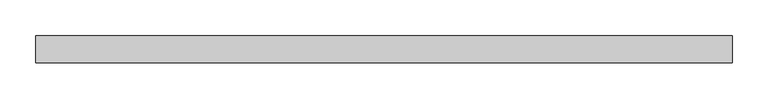
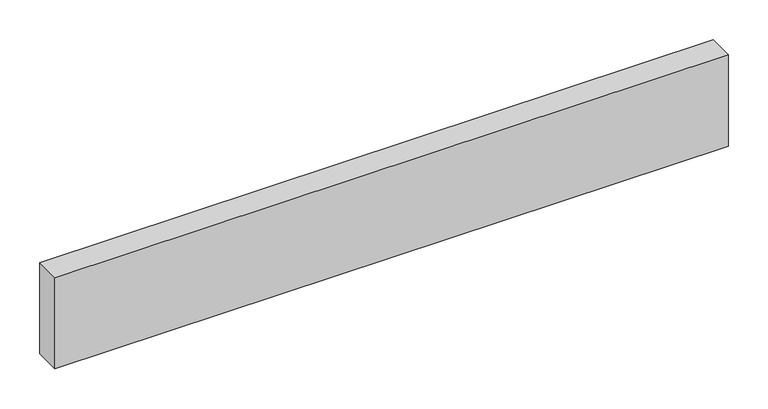
"""IFC4 building model written with IfcOpenShell, lengths in millimetres: beam geometry."""

import ifcopenshell
import ifcopenshell.guid

model = None  # the IFC model being written
_history = None  # IfcOwnerHistory: only IFC2X3 demands one
_inside = {}  # id of a spatial element -> (the spatial element, [elements in it])
_under = {}  # id of a project, library or spatial element -> (it, [spatial elements below it])
_declared = {}  # id of a project -> (the project, [libraries it declares])
_typed = {}  # id of a type object -> (the type object, [elements of that type])
_made_of = {}  # id of a material, layer set ... -> (it, [elements and type objects made of it])


def new_model(schema):
    """Start an empty IFC model of exactly this schema.

    Asked for "IFC4X3", IfcOpenShell would pick the latest addendum, in which some entities
    have other attributes; the version numbers below select the first issue.
    IFC2X3 requires an IfcOwnerHistory on every rooted entity: one is made here for all.
    """
    global model, _history
    if schema == "IFC4X3":
        model = ifcopenshell.file(schema_version=(4, 3, 0, 0))
    else:
        model = ifcopenshell.file(schema=schema)
    _inside.clear()
    _under.clear()
    _declared.clear()
    _typed.clear()
    _made_of.clear()
    _history = None
    if model.schema == "IFC2X3":
        org = make("IfcOrganization", Name="unknown")
        user = make(
            "IfcPersonAndOrganization",
            ThePerson=make("IfcPerson", FamilyName="unknown"),
            TheOrganization=org,
        )
        app = make(
            "IfcApplication",
            ApplicationDeveloper=org,
            Version="unknown",
            ApplicationFullName="unknown",
            ApplicationIdentifier="unknown",
        )
        _history = make(
            "IfcOwnerHistory",
            OwningUser=user,
            OwningApplication=app,
            ChangeAction="ADDED",
            CreationDate=0,
        )
    return model


def make(cls, **values):
    """One entity of the class cls with the attributes given. An attribute that is None is left unset."""
    return model.create_entity(
        cls, **{name: value for name, value in values.items() if value is not None}
    )


def rooted(cls, **values):
    """An entity with a GlobalId (a new one), such as an element, a storey or a relation."""
    return make(cls, GlobalId=ifcopenshell.guid.new(), OwnerHistory=_history, **values)


def si_unit(unit_type, name, prefix=None):
    """IfcSIUnit, for example si_unit("LENGTHUNIT", "METRE", prefix="MILLI")."""
    return make("IfcSIUnit", UnitType=unit_type, Prefix=prefix, Name=name)


def assignment(units):
    """IfcUnitAssignment: the units of a project."""
    return None if units is None else make("IfcUnitAssignment", Units=units)


def point(xyz):
    """IfcCartesianPoint."""
    return None if xyz is None else make("IfcCartesianPoint", Coordinates=xyz)


def direction(xyz):
    """IfcDirection."""
    return None if xyz is None else make("IfcDirection", DirectionRatios=xyz)


def frame(location, z_axis=None, x_axis=None):
    """IfcAxis2Placement3D, a coordinate frame: its origin and axes. An axis left out is left unset."""
    return make(
        "IfcAxis2Placement3D",
        Location=point(location),
        Axis=direction(z_axis),
        RefDirection=direction(x_axis),
    )


def origin():
    """The frame at (0, 0, 0) with its axes left unset."""
    return frame((0.0, 0.0, 0.0))


def place(relative_to, where):
    """IfcLocalPlacement: puts the frame where relative to a parent placement (None: the world)."""
    return make(
        "IfcLocalPlacement", PlacementRelTo=relative_to, RelativePlacement=where
    )


def context(
    kind, dimensions, precision=None, world=None, true_north=None, identifier=None
):
    """IfcGeometricRepresentationContext, for example the 3D "Model" context."""
    return make(
        "IfcGeometricRepresentationContext",
        ContextIdentifier=identifier,
        ContextType=kind,
        CoordinateSpaceDimension=dimensions,
        Precision=precision,
        WorldCoordinateSystem=world,
        TrueNorth=true_north,
    )


def project(units=None, contexts=None):
    """IfcProject with its units and contexts."""
    return rooted(
        "IfcProject",
        Name="project",
        RepresentationContexts=contexts,
        UnitsInContext=assignment(units),
    )


def spatial(cls, under=None, at=None, **own):
    """A site, building, storey or space (cls), placed at a placement, below another one or the project."""
    s = rooted(cls, ObjectPlacement=at, **own)
    if under is not None:
        _under.setdefault(under.id(), (under, []))[1].append(s)
    return s


def polyline(points):
    """IfcPolyline through the points."""
    return make("IfcPolyline", Points=[point(p) for p in points])


def outline(outer, holes=None, kind="AREA"):
    """IfcArbitraryClosedProfileDef: a profile drawn as a closed curve; with holes, ...WithVoids."""
    if holes is None:
        return make("IfcArbitraryClosedProfileDef", ProfileType=kind, OuterCurve=outer)
    return make(
        "IfcArbitraryProfileDefWithVoids",
        ProfileType=kind,
        OuterCurve=outer,
        InnerCurves=holes,
    )


def extrude(swept, where, along, depth):
    """IfcExtrudedAreaSolid: the profile swept, set in the frame where, extruded along a direction by depth."""
    return make(
        "IfcExtrudedAreaSolid",
        SweptArea=swept,
        Position=where,
        ExtrudedDirection=direction(along),
        Depth=depth,
    )


def shape(context_of_items, identifier, shape_type, items):
    """IfcShapeRepresentation: the items that make up one representation, for example the "Body"."""
    return make(
        "IfcShapeRepresentation",
        ContextOfItems=context_of_items,
        RepresentationIdentifier=identifier,
        RepresentationType=shape_type,
        Items=items,
    )


def source(mapping_origin, context_of_items, identifier, shape_type, items):
    """IfcRepresentationMap: a shape defined once, which mapped items show again and again."""
    return make(
        "IfcRepresentationMap",
        MappingOrigin=mapping_origin,
        MappedRepresentation=shape(context_of_items, identifier, shape_type, items),
    )


def transform(
    local_origin,
    x_axis=None,
    y_axis=None,
    z_axis=None,
    scale=None,
    scale2=None,
    scale3=None,
    uniform=True,
):
    """IfcCartesianTransformationOperator3D, or its non-uniform kind. x_axis, y_axis, z_axis: its Axis1, 2, 3."""
    if uniform:
        return make(
            "IfcCartesianTransformationOperator3D",
            Axis1=direction(x_axis),
            Axis2=direction(y_axis),
            LocalOrigin=point(local_origin),
            Scale=scale,
            Axis3=direction(z_axis),
        )
    return make(
        "IfcCartesianTransformationOperator3DnonUniform",
        Axis1=direction(x_axis),
        Axis2=direction(y_axis),
        LocalOrigin=point(local_origin),
        Scale=scale,
        Axis3=direction(z_axis),
        Scale2=scale2,
        Scale3=scale3,
    )


def mapped(mapping_source, mapping_target):
    """IfcMappedItem: shows the shape of a source again, moved by a transform."""
    return make(
        "IfcMappedItem", MappingSource=mapping_source, MappingTarget=mapping_target
    )


def made_of(thing, what):
    """Note that an element or type object is made of a material, layer set ...; save() writes the relation."""
    if what is not None:
        _made_of.setdefault(what.id(), (what, []))[1].append(thing)
    return thing


def element(
    cls,
    number,
    at=None,
    inside=None,
    cuts=None,
    type_object=None,
    material=None,
    context=None,
    identifier="Body",
    shape_type=None,
    held_by="IfcProductDefinitionShape",
    body=None,
    shapes=None,
    **own,
):
    """One element of the class cls, such as IfcWall. Its Tag is "e" and its number.

    at: its placement. inside: the storey or other place that contains it. cuts: it is an
    opening in that element (IfcRelVoidsElement). A single representation is given by context,
    identifier, shape_type and body (its items); several are given by shapes. held_by: the class
    of the entity that holds the representations. save() writes the other relations.
    """
    e = rooted(cls, Tag="e%d" % number, ObjectPlacement=at, **own)
    if body is not None:
        shapes = [shape(context, identifier, shape_type, body)]
    if shapes is not None:
        e.Representation = make(held_by, Representations=shapes)
    if inside is not None:
        _inside.setdefault(inside.id(), (inside, []))[1].append(e)
    if cuts is not None:
        rooted(
            "IfcRelVoidsElement", RelatingBuildingElement=cuts, RelatedOpeningElement=e
        )
    if type_object is not None:
        _typed.setdefault(type_object.id(), (type_object, []))[1].append(e)
    return made_of(e, material)


def aggregate(whole, parts):
    """IfcRelAggregates: a whole, such as a stair, and the parts it consists of."""
    return rooted("IfcRelAggregates", RelatingObject=whole, RelatedObjects=parts)


def save(model, path):
    """Write the relations noted so far, then the file.

    IfcRelAggregates (storeys below a building ...), IfcRelContainedInSpatialStructure (elements
    in a storey), IfcRelDefinesByType, IfcRelAssociatesMaterial and IfcRelDeclares: one each for
    every whole, place, type object, material and project.
    """
    for whole, parts in _under.values():
        aggregate(whole, parts)
    for where, things in _inside.values():
        rooted(
            "IfcRelContainedInSpatialStructure",
            RelatedElements=things,
            RelatingStructure=where,
        )
    for kind, things in _typed.values():
        rooted("IfcRelDefinesByType", RelatedObjects=things, RelatingType=kind)
    for what, things in _made_of.values():
        rooted("IfcRelAssociatesMaterial", RelatedObjects=things, RelatingMaterial=what)
    for by, libraries in _declared.values():
        rooted("IfcRelDeclares", RelatingContext=by, RelatedDefinitions=libraries)
    model.write(path)


def beam_b80b3301(model_context):
    return source(origin(), model_context, "Body", "SweptSolid", [
        extrude(outline(polyline([(488.0570312, -19.05), (-488.0570313, -19.05), (-488.0570313, 19.05), (488.0570312, 19.05), (488.0570312, -19.05)])), frame((0.0, 0.0, -69.85), z_axis=(0.0, 0.0, 1.0), x_axis=(1.0, 0.0, 0.0)), (0.0, 0.0, 1.0), 139.7),
    ])


if __name__ == "__main__":
    model = new_model("IFC4")
    model_context = context("Model", 3, world=origin())
    ifc_project = project(units=[si_unit("LENGTHUNIT", "METRE", prefix="MILLI")], contexts=[model_context])
    site = spatial("IfcSite", under=ifc_project)
    building = spatial("IfcBuilding", under=site)
    placement = place(None, origin())
    beam_shape = beam_b80b3301(model_context)
    element("IfcBeam", 1, at=placement, inside=building, context=model_context, shape_type="MappedRepresentation", body=[
        mapped(beam_shape, transform((0.0, 0.0, 0.0), x_axis=(1.0, 0.0, 0.0), y_axis=(0.0, 1.0, 0.0), z_axis=(0.0, 0.0, 1.0))),
    ])
    save(model, "model.ifc")
